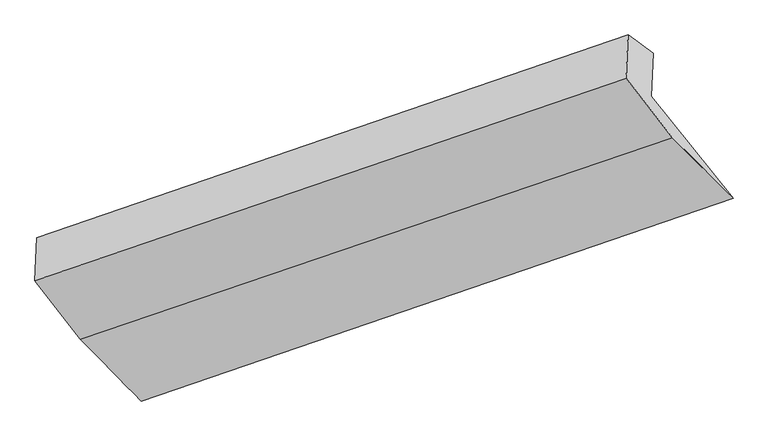
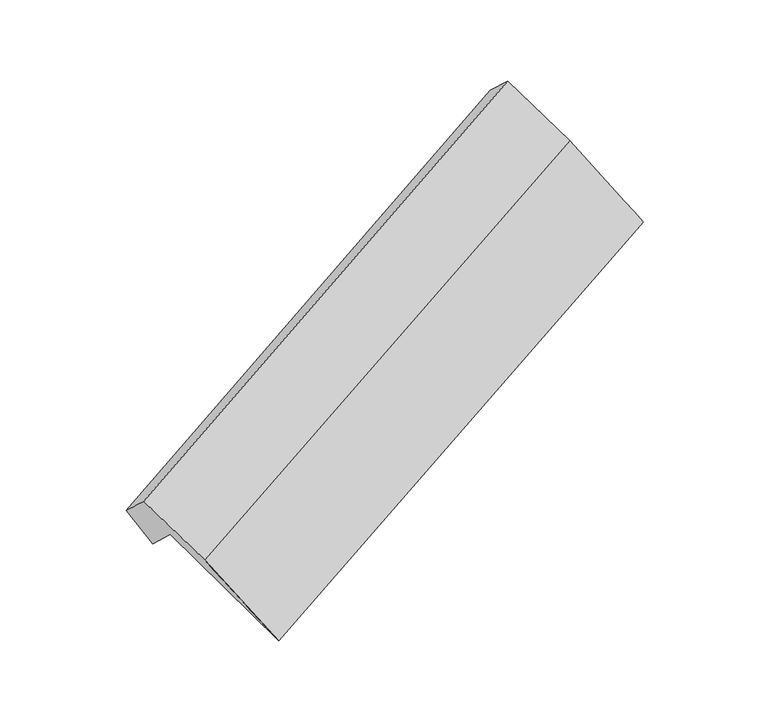
"""IFC4 building model written with IfcOpenShell, lengths in millimetres: proxy geometry."""

from ifc_helpers import new_model, si_unit, frame, origin, place, context, project, spatial, source, transform, mapped, element, save
from ifc_brep_helpers import plane_surface, spline_surface, advanced_brep


def generic_models_8e528808(model_context):
    return source(origin(), model_context, "Body", "AdvancedBrep", [
        advanced_brep(
        [(-4906.3935905, -2160.8328114, 1235.5647326), (-4893.3314998, -1873.3159233, 971.0236555), (-932.0583367, -516.4891466, 2626.5091671), (-945.1204274, -804.0060348, 2891.0502442), (-5055.2293627, -1750.4195641, 1259.0495655), (-1099.014232, -394.8645797, 2927.6803749), (-5068.3509645, -2039.2463841, 1524.7958962), (-1112.1358338, -683.6913997, 3193.4267056), (-4763.923539, -2431.265495, 1113.7608409), (-802.984513, -1081.7935935, 2776.013491), (-4357.4810129, -2844.7725275, 475.8421232), (-396.2078498, -1487.9457508, 2131.3276349)],
        [
            (0, 1),
            (1, 2),
            (2, 3),
            (3, 0),
            (1, 4),
            (4, 5),
            (5, 2),
            (4, 6),
            (6, 7),
            (7, 5),
            (6, 8),
            (8, 9),
            (9, 7),
            (8, 10),
            (10, 11),
            (11, 9),
            (10, 0),
            (3, 11),
        ],
        [
            plane_surface(frame((-4899.8625452, -2017.0743674, 1103.2941941), z_axis=(0.4743444877724107, -0.607644143851028, -0.6369975677845882), x_axis=(0.03341370552006523, 0.7354875184234846, -0.6767138498114864))),
            spline_surface(1, 1, [[(-4893.3314998, -1873.3159233, 971.0236555), (-932.0583367, -516.4891466, 2626.5091671)], [(-5055.2293627, -1750.4195641, 1259.0495655), (-1099.014232, -394.8645797, 2927.6803749)]], [2, 2], [2, 2], [0.0, 1.0], [0.0, 1.0]),
            plane_surface(frame((-5061.7901636, -1894.8329741, 1391.9227309), z_axis=(-0.4762970798662729, 0.606977008419416, 0.6361760785828694), x_axis=(-0.033413705520065166, -0.7354875184234846, 0.6767138498114863))),
            plane_surface(frame((-4916.1372517, -2235.2559395, 1319.2783686), z_axis=(-0.0334137055200662, -0.7354875184234833, 0.6767138498114877), x_axis=(0.4723895366626823, -0.6083082885967236, -0.6378159230343358))),
            spline_surface(1, 1, [[(-4763.923539, -2431.265495, 1113.7608409), (-802.984513, -1081.7935935, 2776.013491)], [(-4357.4810129, -2844.7725275, 475.8421232), (-396.2078498, -1487.9457508, 2131.3276349)]], [2, 2], [2, 2], [0.0, 1.0], [0.0, 1.0]),
            plane_surface(frame((-4631.9373017, -2502.8026695, 855.7034279), z_axis=(0.01941714710480416, 0.7499975614464037, -0.6611555280134609), x_axis=(-0.47308501892160615, 0.5894593177503012, 0.6547734551654434))),
            plane_surface(frame((-881.2535321, -828.1317508, 2757.6679363), z_axis=(0.8807562942920341, 0.2983607485374135, 0.36776244206982067), x_axis=(0.47094807705541464, -0.47022505165429085, -0.7463888460544723))),
            plane_surface(frame((-4840.7849949, -2183.3087842, 1096.6728023), z_axis=(-0.8807562942920327, -0.29836074853741074, -0.3677624420698261), x_axis=(0.47308501892160826, -0.5894593177503045, -0.654773455165439))),
        ],
        [
            (0, [[1, 2, 3, 4]]),
            (1, [[5, 6, 7, -2]]),
            (2, [[8, 9, 10, -6]]),
            (3, [[11, 12, 13, -9]]),
            (4, [[14, 15, 16, -12]]),
            (5, [[17, -4, 18, -15]]),
            (6, [[-16, -18, -3, -7, -10, -13]]),
            (7, [[-17, -14, -11, -8, -5, -1]]),
        ],
    ),
    ])


if __name__ == "__main__":
    model = new_model("IFC4")
    model_context = context("Model", 3, world=origin())
    ifc_project = project(units=[si_unit("LENGTHUNIT", "METRE", prefix="MILLI")], contexts=[model_context])
    site = spatial("IfcSite", under=ifc_project)
    building = spatial("IfcBuilding", under=site)
    placement = place(None, origin())
    generic_models_shape = generic_models_8e528808(model_context)
    element("IfcBuildingElementProxy", 1, Name="Generic Models", at=placement, inside=building, context=model_context, shape_type="MappedRepresentation", body=[
        mapped(generic_models_shape, transform((0.0, 0.0, 0.0), x_axis=(1.0, 0.0, 0.0), y_axis=(0.0, 1.0, 0.0), z_axis=(0.0, 0.0, 1.0))),
    ])
    save(model, "model.ifc")
